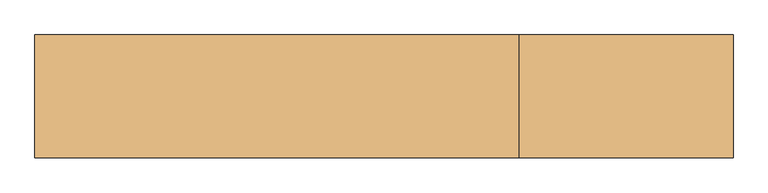
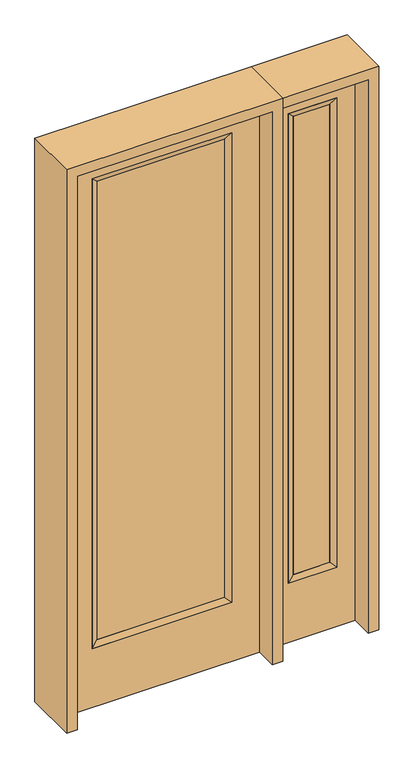
"""IFC4 building model written with IfcOpenShell, lengths in millimetres: door geometry."""

from ifc_helpers import new_model, si_unit, frame, origin, place, context, project, spatial, polyline, outline, extrude, faceted_brep, source, transform, mapped, element, save


def door_7d62ff19(model_context):
    return source(origin(), model_context, "Body", "SolidModel", [
        extrude(outline(polyline([(265.5824, -12.7039749), (-265.5824, -12.7039749), (-265.5824, 14.2875), (265.5824, 14.2875), (265.5824, -12.7039749)])), frame((0.0, 0.0, 285.75), z_axis=(0.0, 0.0, 1.0), x_axis=(1.0, 0.0, 0.0)), (0.0, 0.0, 1.0), 2019.3),
        faceted_brep([(265.5824, 14.2875, 2305.05), (290.9824, 22.225, 2330.45), (290.9824, 22.225, 260.35), (265.5824, 14.2875, 285.75), (290.9824, -22.225, 2330.45), (290.9824, -22.225, 260.35), (-290.9824, 22.225, 260.35), (-265.5824, 14.2875, 285.75), (265.5824, -12.7039749, 2305.05), (265.5824, -12.7039749, 285.75), (-265.5824, -12.7039749, 285.75), (-290.9824, -22.225, 260.35), (-290.9824, 22.225, 2330.45), (-265.5824, 14.2875, 2305.05), (-265.5824, -12.7039749, 2305.05), (-290.9824, -22.225, 2330.45)], [[[0, 1, 2, 3]], [[1, 4, 5, 2]], [[3, 2, 6, 7]], [[8, 0, 3, 9]], [[9, 3, 7, 10]], [[4, 8, 9, 5]], [[5, 9, 10, 11]], [[2, 5, 11, 6]], [[7, 6, 12, 13]], [[10, 7, 13, 14]], [[11, 10, 14, 15]], [[6, 11, 15, 12]], [[13, 12, 1, 0]], [[14, 13, 0, 8]], [[15, 14, 8, 4]], [[12, 15, 4, 1]]]),
        extrude(outline(polyline([(0.0, -406.4), (0.0, 406.4), (2438.4, 406.4), (2438.4, -406.4), (0.0, -406.4)]), holes=[polyline([(260.35, -290.9824), (2330.45, -290.9824), (2330.45, 290.9824), (260.35, 290.9824), (260.35, -290.9824)])]), frame((0.0, -22.225, 0.0), z_axis=(0.0, 1.0, 0.0), x_axis=(0.0, 0.0, 1.0)), (0.0, 0.0, 1.0), 44.45),
        faceted_brep([(527.05, 20.6375, 2330.45), (527.05, 20.6375, 260.35), (527.05, -20.6375, 260.35), (527.05, -20.6375, 2330.45), (552.45, -12.7, 285.75), (552.45, -12.7, 2305.05), (730.25, 20.6375, 260.35), (730.25, -20.6375, 260.35), (552.45, 12.7, 2305.05), (552.45, 12.7, 285.75), (704.85, 12.7, 285.75), (704.85, -12.7, 285.75), (730.25, 20.6375, 2330.45), (730.25, -20.6375, 2330.45), (704.85, 12.7, 2305.05), (704.85, -12.7, 2305.05)], [[[0, 1, 2, 3]], [[3, 2, 4, 5]], [[1, 6, 7, 2]], [[8, 9, 1, 0]], [[9, 10, 6, 1]], [[5, 4, 9, 8]], [[4, 11, 10, 9]], [[2, 7, 11, 4]], [[6, 12, 13, 7]], [[10, 14, 12, 6]], [[11, 15, 14, 10]], [[7, 13, 15, 11]], [[12, 0, 3, 13]], [[14, 8, 0, 12]], [[15, 5, 8, 14]], [[13, 3, 5, 15]]]),
        extrude(outline(polyline([(0.0, 806.45), (2438.4, 806.45), (2438.4, 450.85), (0.0, 450.85), (0.0, 806.45)]), holes=[polyline([(2330.45, 527.05), (2330.45, 730.25), (260.35, 730.25), (260.35, 527.05), (2330.45, 527.05)])]), frame((0.0, -20.6375, 0.0), z_axis=(0.0, 1.0, 0.0), x_axis=(0.0, 0.0, 1.0)), (0.0, 0.0, 1.0), 41.275),
        extrude(outline(polyline([(552.45, -12.7), (552.45, 12.7), (704.85, 12.7), (704.85, -12.7), (552.45, -12.7)])), frame((0.0, 0.0, 284.95625), z_axis=(0.0, 0.0, 1.0), x_axis=(1.0, 0.0, 0.0)), (0.0, 0.0, 1.0), 2020.09375),
        extrude(outline(polyline([(2482.85, -450.85), (0.0, -450.85), (0.0, -406.4), (2438.4, -406.4), (2438.4, 406.4), (0.0, 406.4), (0.0, 450.85), (2482.85, 450.85), (2482.85, -450.85)])), frame((0.0, -114.3, 0.0), z_axis=(0.0, 1.0, 0.0), x_axis=(0.0, 0.0, 1.0)), (0.0, 0.0, 1.0), 228.6),
        extrude(outline(polyline([(0.0, 806.45), (0.0, 850.9), (2482.85, 850.9), (2482.85, 450.85), (2438.4, 450.85), (2438.4, 806.45), (0.0, 806.45)])), frame((0.0, -114.3, 0.0), z_axis=(0.0, 1.0, 0.0), x_axis=(0.0, 0.0, 1.0)), (0.0, 0.0, 1.0), 228.6),
    ])


if __name__ == "__main__":
    model = new_model("IFC4")
    model_context = context("Model", 3, world=origin())
    ifc_project = project(units=[si_unit("LENGTHUNIT", "METRE", prefix="MILLI")], contexts=[model_context])
    site = spatial("IfcSite", under=ifc_project)
    building = spatial("IfcBuilding", under=site)
    placement = place(None, origin())
    door_shape = door_7d62ff19(model_context)
    element("IfcDoor", 1, at=placement, inside=building, context=model_context, shape_type="MappedRepresentation", body=[
        mapped(door_shape, transform((0.0, 0.0, 0.0), x_axis=(1.0, 0.0, 0.0), y_axis=(0.0, 1.0, 0.0), z_axis=(0.0, 0.0, 1.0))),
    ])
    save(model, "model.ifc")
